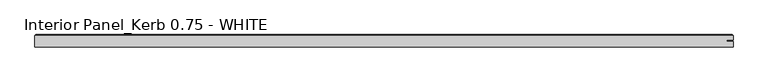
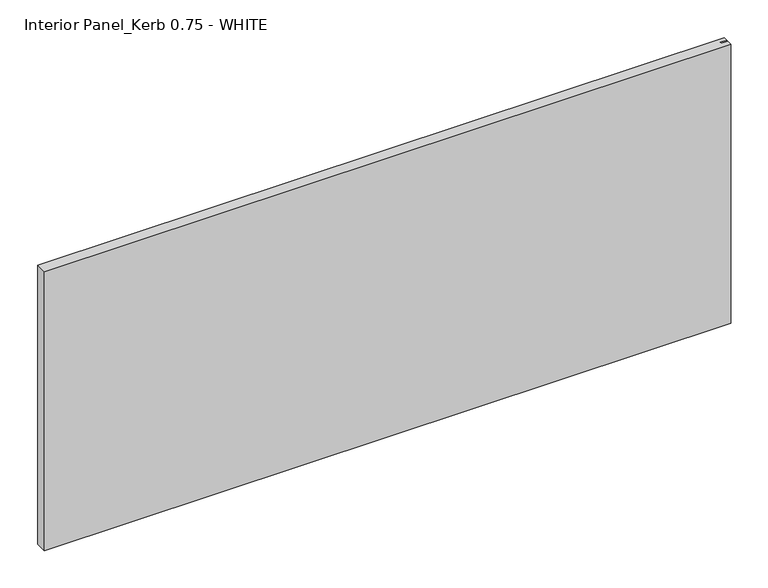
"""IFC4 building model written with IfcOpenShell, lengths in millimetres: proxy geometry, Interior Panel_Kerb 0.75 - WHITE."""

from ifc_helpers import new_model, si_unit, origin, place, context, project, spatial, faceted_brep, source, transform, mapped, element, save


def interior_panel_kerb_0_75_white_b775f3e5(model_context):
    return source(origin(), model_context, "Body", "Brep", [
        faceted_brep([(990.6, -3.175, 457.2), (990.6, 5.2832, 457.2), (980.7773437, 5.2832, 457.2), (980.7773437, 7.4168, 457.2), (990.6, 7.4168, 457.2), (990.6, 14.2875, 457.2), (-73.025, 14.2875, 457.2), (-73.025, -3.175, 457.2), (990.6, -3.175, 0.0), (-73.025, -3.175, 0.0), (-73.025, 14.2875, 0.0), (990.6, 14.2875, 0.0), (990.6, 7.4168, 0.0), (980.7773437, 7.4168, 0.0), (980.7773437, 5.2832, 0.0), (990.6, 5.2832, 0.0), (-71.4375, 15.875, 455.6125), (989.0125, 15.875, 455.6125), (989.0125, 15.875, 1.5875), (-71.4375, 15.875, 1.5875)], [[[0, 1, 2, 3, 4, 5, 6, 7]], [[8, 9, 10, 11, 12, 13, 14, 15]], [[7, 9, 8, 0]], [[6, 10, 9, 7]], [[16, 17, 18, 19]], [[4, 12, 11, 5]], [[6, 16, 19, 10]], [[11, 18, 17, 5]], [[5, 17, 16, 6]], [[10, 19, 18, 11]], [[3, 13, 12, 4]], [[2, 14, 13, 3]], [[1, 15, 14, 2]], [[0, 8, 15, 1]]]),
    ])


if __name__ == "__main__":
    model = new_model("IFC4")
    model_context = context("Model", 3, world=origin())
    ifc_project = project(units=[si_unit("LENGTHUNIT", "METRE", prefix="MILLI")], contexts=[model_context])
    site = spatial("IfcSite", under=ifc_project)
    building = spatial("IfcBuilding", under=site)
    placement = place(None, origin())
    interior_panel_kerb_0_75_white_shape = interior_panel_kerb_0_75_white_b775f3e5(model_context)
    element("IfcBuildingElementProxy", 1, Name="Interior Panel_Kerb 0.75 - WHITE", ObjectType="Interior Panel_Kerb 0.75 - WHITE", at=placement, inside=building, context=model_context, shape_type="MappedRepresentation", body=[
        mapped(interior_panel_kerb_0_75_white_shape, transform((0.0, 0.0, 0.0), x_axis=(1.0, 0.0, 0.0), y_axis=(0.0, 1.0, 0.0), z_axis=(0.0, 0.0, 1.0))),
    ])
    save(model, "model.ifc")
